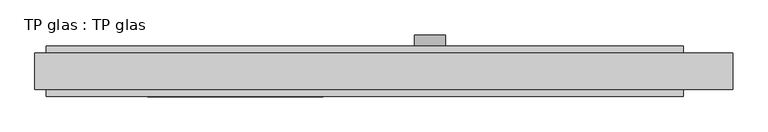
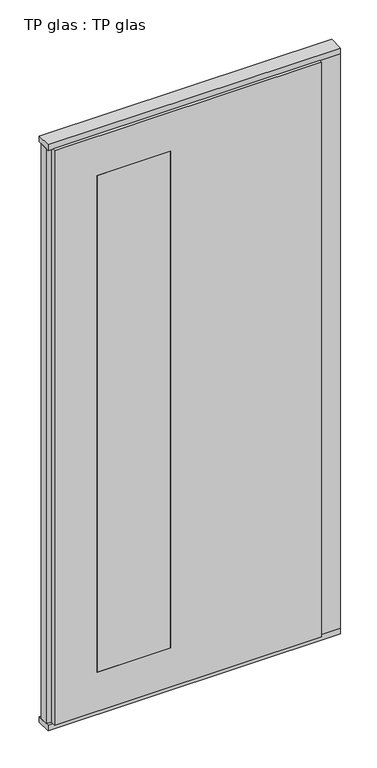
"""IFC4 building model written with IfcOpenShell, lengths in millimetres: plate geometry, TP glas : TP glas."""

import ifcopenshell
import ifcopenshell.guid

model = None  # the IFC model being written
_history = None  # IfcOwnerHistory: only IFC2X3 demands one
_inside = {}  # id of a spatial element -> (the spatial element, [elements in it])
_under = {}  # id of a project, library or spatial element -> (it, [spatial elements below it])
_declared = {}  # id of a project -> (the project, [libraries it declares])
_typed = {}  # id of a type object -> (the type object, [elements of that type])
_made_of = {}  # id of a material, layer set ... -> (it, [elements and type objects made of it])


def new_model(schema):
    """Start an empty IFC model of exactly this schema.

    Asked for "IFC4X3", IfcOpenShell would pick the latest addendum, in which some entities
    have other attributes; the version numbers below select the first issue.
    IFC2X3 requires an IfcOwnerHistory on every rooted entity: one is made here for all.
    """
    global model, _history
    if schema == "IFC4X3":
        model = ifcopenshell.file(schema_version=(4, 3, 0, 0))
    else:
        model = ifcopenshell.file(schema=schema)
    _inside.clear()
    _under.clear()
    _declared.clear()
    _typed.clear()
    _made_of.clear()
    _history = None
    if model.schema == "IFC2X3":
        org = make("IfcOrganization", Name="unknown")
        user = make(
            "IfcPersonAndOrganization",
            ThePerson=make("IfcPerson", FamilyName="unknown"),
            TheOrganization=org,
        )
        app = make(
            "IfcApplication",
            ApplicationDeveloper=org,
            Version="unknown",
            ApplicationFullName="unknown",
            ApplicationIdentifier="unknown",
        )
        _history = make(
            "IfcOwnerHistory",
            OwningUser=user,
            OwningApplication=app,
            ChangeAction="ADDED",
            CreationDate=0,
        )
    return model


def make(cls, **values):
    """One entity of the class cls with the attributes given. An attribute that is None is left unset."""
    return model.create_entity(
        cls, **{name: value for name, value in values.items() if value is not None}
    )


def rooted(cls, **values):
    """An entity with a GlobalId (a new one), such as an element, a storey or a relation."""
    return make(cls, GlobalId=ifcopenshell.guid.new(), OwnerHistory=_history, **values)


def si_unit(unit_type, name, prefix=None):
    """IfcSIUnit, for example si_unit("LENGTHUNIT", "METRE", prefix="MILLI")."""
    return make("IfcSIUnit", UnitType=unit_type, Prefix=prefix, Name=name)


def assignment(units):
    """IfcUnitAssignment: the units of a project."""
    return None if units is None else make("IfcUnitAssignment", Units=units)


def point(xyz):
    """IfcCartesianPoint."""
    return None if xyz is None else make("IfcCartesianPoint", Coordinates=xyz)


def direction(xyz):
    """IfcDirection."""
    return None if xyz is None else make("IfcDirection", DirectionRatios=xyz)


def frame(location, z_axis=None, x_axis=None):
    """IfcAxis2Placement3D, a coordinate frame: its origin and axes. An axis left out is left unset."""
    return make(
        "IfcAxis2Placement3D",
        Location=point(location),
        Axis=direction(z_axis),
        RefDirection=direction(x_axis),
    )


def frame_2d(location, x_axis=None):
    """IfcAxis2Placement2D, a coordinate frame in the plane: its origin and x axis."""
    return make(
        "IfcAxis2Placement2D", Location=point(location), RefDirection=direction(x_axis)
    )


def origin():
    """The frame at (0, 0, 0) with its axes left unset."""
    return frame((0.0, 0.0, 0.0))


def origin_with_axes():
    """The frame at (0, 0, 0) with the z axis (0, 0, 1) and the x axis (1, 0, 0) written out."""
    return frame((0.0, 0.0, 0.0), z_axis=(0.0, 0.0, 1.0), x_axis=(1.0, 0.0, 0.0))


def place(relative_to, where):
    """IfcLocalPlacement: puts the frame where relative to a parent placement (None: the world)."""
    return make(
        "IfcLocalPlacement", PlacementRelTo=relative_to, RelativePlacement=where
    )


def context(
    kind, dimensions, precision=None, world=None, true_north=None, identifier=None
):
    """IfcGeometricRepresentationContext, for example the 3D "Model" context."""
    return make(
        "IfcGeometricRepresentationContext",
        ContextIdentifier=identifier,
        ContextType=kind,
        CoordinateSpaceDimension=dimensions,
        Precision=precision,
        WorldCoordinateSystem=world,
        TrueNorth=true_north,
    )


def project(units=None, contexts=None):
    """IfcProject with its units and contexts."""
    return rooted(
        "IfcProject",
        Name="project",
        RepresentationContexts=contexts,
        UnitsInContext=assignment(units),
    )


def spatial(cls, under=None, at=None, **own):
    """A site, building, storey or space (cls), placed at a placement, below another one or the project."""
    s = rooted(cls, ObjectPlacement=at, **own)
    if under is not None:
        _under.setdefault(under.id(), (under, []))[1].append(s)
    return s


def polyline(points):
    """IfcPolyline through the points."""
    return make("IfcPolyline", Points=[point(p) for p in points])


def circle_curve(where, radius):
    """IfcCircle in the frame where."""
    return make("IfcCircle", Position=where, Radius=radius)


def trimmed(basis, trim1, trim2, sense, master):
    """IfcTrimmedCurve: the piece of a basis curve between two trims."""
    return make(
        "IfcTrimmedCurve",
        BasisCurve=basis,
        Trim1=trim1,
        Trim2=trim2,
        SenseAgreement=sense,
        MasterRepresentation=master,
    )


def segment(curve, same_sense, transition):
    """IfcCompositeCurveSegment."""
    return make(
        "IfcCompositeCurveSegment",
        Transition=transition,
        SameSense=same_sense,
        ParentCurve=curve,
    )


def composite_curve(segments, self_intersect=None):
    """IfcCompositeCurve: segments joined end to end."""
    return make("IfcCompositeCurve", Segments=segments, SelfIntersect=self_intersect)


def outline(outer, holes=None, kind="AREA"):
    """IfcArbitraryClosedProfileDef: a profile drawn as a closed curve; with holes, ...WithVoids."""
    if holes is None:
        return make("IfcArbitraryClosedProfileDef", ProfileType=kind, OuterCurve=outer)
    return make(
        "IfcArbitraryProfileDefWithVoids",
        ProfileType=kind,
        OuterCurve=outer,
        InnerCurves=holes,
    )


def extrude(swept, where, along, depth):
    """IfcExtrudedAreaSolid: the profile swept, set in the frame where, extruded along a direction by depth."""
    return make(
        "IfcExtrudedAreaSolid",
        SweptArea=swept,
        Position=where,
        ExtrudedDirection=direction(along),
        Depth=depth,
    )


def faces_of(points, faces, orient=None, outer=None):
    """IfcFace entities. A face is a list of loops; a loop is a list of indices into points, from 0.

    orient and outer hold one flag for each loop. By default every Orientation is true, the
    first loop of a face is its IfcFaceOuterBound and the others are IfcFaceBound.
    """
    made = []
    for i, loops in enumerate(faces):
        bounds = []
        for j, loop in enumerate(loops):
            is_outer = j == 0 if outer is None else outer[i][j]
            bounds.append(
                make(
                    "IfcFaceOuterBound" if is_outer else "IfcFaceBound",
                    Bound=make("IfcPolyLoop", Polygon=[points[k] for k in loop]),
                    Orientation=True if orient is None else orient[i][j],
                )
            )
        made.append(make("IfcFace", Bounds=bounds))
    return made


def faceted_brep(points, faces, orient=None, outer=None, voids=None):
    """IfcFacetedBrep: a solid bounded by flat faces; with voids (closed shells), ...WithVoids."""
    shared = [point(p) for p in points]
    hull = make("IfcClosedShell", CfsFaces=faces_of(shared, faces, orient, outer))
    if voids is None:
        return make("IfcFacetedBrep", Outer=hull)
    return make(
        "IfcFacetedBrepWithVoids",
        Outer=hull,
        Voids=[
            make(cls, CfsFaces=faces_of(shared, fs, o, b)) for cls, fs, o, b in voids
        ],
    )


def shape(context_of_items, identifier, shape_type, items):
    """IfcShapeRepresentation: the items that make up one representation, for example the "Body"."""
    return make(
        "IfcShapeRepresentation",
        ContextOfItems=context_of_items,
        RepresentationIdentifier=identifier,
        RepresentationType=shape_type,
        Items=items,
    )


def source(mapping_origin, context_of_items, identifier, shape_type, items):
    """IfcRepresentationMap: a shape defined once, which mapped items show again and again."""
    return make(
        "IfcRepresentationMap",
        MappingOrigin=mapping_origin,
        MappedRepresentation=shape(context_of_items, identifier, shape_type, items),
    )


def transform(
    local_origin,
    x_axis=None,
    y_axis=None,
    z_axis=None,
    scale=None,
    scale2=None,
    scale3=None,
    uniform=True,
):
    """IfcCartesianTransformationOperator3D, or its non-uniform kind. x_axis, y_axis, z_axis: its Axis1, 2, 3."""
    if uniform:
        return make(
            "IfcCartesianTransformationOperator3D",
            Axis1=direction(x_axis),
            Axis2=direction(y_axis),
            LocalOrigin=point(local_origin),
            Scale=scale,
            Axis3=direction(z_axis),
        )
    return make(
        "IfcCartesianTransformationOperator3DnonUniform",
        Axis1=direction(x_axis),
        Axis2=direction(y_axis),
        LocalOrigin=point(local_origin),
        Scale=scale,
        Axis3=direction(z_axis),
        Scale2=scale2,
        Scale3=scale3,
    )


def mapped(mapping_source, mapping_target):
    """IfcMappedItem: shows the shape of a source again, moved by a transform."""
    return make(
        "IfcMappedItem", MappingSource=mapping_source, MappingTarget=mapping_target
    )


def made_of(thing, what):
    """Note that an element or type object is made of a material, layer set ...; save() writes the relation."""
    if what is not None:
        _made_of.setdefault(what.id(), (what, []))[1].append(thing)
    return thing


def element(
    cls,
    number,
    at=None,
    inside=None,
    cuts=None,
    type_object=None,
    material=None,
    context=None,
    identifier="Body",
    shape_type=None,
    held_by="IfcProductDefinitionShape",
    body=None,
    shapes=None,
    **own,
):
    """One element of the class cls, such as IfcWall. Its Tag is "e" and its number.

    at: its placement. inside: the storey or other place that contains it. cuts: it is an
    opening in that element (IfcRelVoidsElement). A single representation is given by context,
    identifier, shape_type and body (its items); several are given by shapes. held_by: the class
    of the entity that holds the representations. save() writes the other relations.
    """
    e = rooted(cls, Tag="e%d" % number, ObjectPlacement=at, **own)
    if body is not None:
        shapes = [shape(context, identifier, shape_type, body)]
    if shapes is not None:
        e.Representation = make(held_by, Representations=shapes)
    if inside is not None:
        _inside.setdefault(inside.id(), (inside, []))[1].append(e)
    if cuts is not None:
        rooted(
            "IfcRelVoidsElement", RelatingBuildingElement=cuts, RelatedOpeningElement=e
        )
    if type_object is not None:
        _typed.setdefault(type_object.id(), (type_object, []))[1].append(e)
    return made_of(e, material)


def aggregate(whole, parts):
    """IfcRelAggregates: a whole, such as a stair, and the parts it consists of."""
    return rooted("IfcRelAggregates", RelatingObject=whole, RelatedObjects=parts)


def save(model, path):
    """Write the relations noted so far, then the file.

    IfcRelAggregates (storeys below a building ...), IfcRelContainedInSpatialStructure (elements
    in a storey), IfcRelDefinesByType, IfcRelAssociatesMaterial and IfcRelDeclares: one each for
    every whole, place, type object, material and project.
    """
    for whole, parts in _under.values():
        aggregate(whole, parts)
    for where, things in _inside.values():
        rooted(
            "IfcRelContainedInSpatialStructure",
            RelatedElements=things,
            RelatingStructure=where,
        )
    for kind, things in _typed.values():
        rooted("IfcRelDefinesByType", RelatedObjects=things, RelatingType=kind)
    for what, things in _made_of.values():
        rooted("IfcRelAssociatesMaterial", RelatedObjects=things, RelatingMaterial=what)
    for by, libraries in _declared.values():
        rooted("IfcRelDeclares", RelatingContext=by, RelatedDefinitions=libraries)
    model.write(path)


def tp_glas_tp_glas_5aab74e9(model_context):
    return source(origin(), model_context, "Body", "SolidModel", [
        faceted_brep([(-600.0, 22.9993165, 25.0), (-600.0, 22.9993165, 2602.0), (-600.0, 45.0, 2602.0), (-600.0, 45.0, 25.0), (-620.0, 17.6401049, 25.0), (-620.0, 17.6401049, 2602.0), (-620.0, -17.6401049, 25.0), (-620.0, -17.6401049, 2602.0), (-600.0, -22.9993165, 25.0), (-600.0, -22.9993165, 2602.0), (-600.0, -45.0, 25.0), (-600.0, -45.0, 2602.0), (532.0507813, -45.0, 25.0), (532.0507813, 45.0, 25.0), (532.0507813, 30.5, 25.0), (620.0, 30.5, 25.0), (620.0, -30.5, 25.0), (532.0507813, -30.5, 25.0), (532.0507813, -30.5, 2602.0), (532.0507813, -45.0, 2602.0), (620.0, -30.5, 2602.0), (620.0, 30.5, 2602.0), (532.0507813, 30.5, 2602.0), (532.0507813, 45.0, 2602.0), (-420.0, 45.0, 2427.0), (-420.0, 45.0, 200.0), (-107.9492187, 45.0, 200.0), (-107.9492187, 45.0, 2427.0), (-107.9492187, -45.0, 2427.0), (-107.9492187, -45.0, 200.0), (-420.0, -45.0, 200.0), (-420.0, -45.0, 2427.0)], [[[0, 1, 2, 3]], [[4, 5, 1, 0]], [[6, 7, 5, 4]], [[8, 9, 7, 6]], [[10, 11, 9, 8]], [[12, 10, 8, 6, 4, 0, 3, 13, 14, 15, 16, 17]], [[17, 18, 19, 12]], [[16, 20, 18, 17]], [[15, 21, 20, 16]], [[14, 22, 21, 15]], [[13, 23, 22, 14]], [[3, 2, 23, 13], [24, 25, 26, 27]], [[11, 10, 12, 19], [28, 29, 30, 31]], [[23, 2, 1, 5, 7, 9, 11, 19, 18, 20, 21, 22]], [[28, 31, 24, 27]], [[31, 30, 25, 24]], [[30, 29, 26, 25]], [[27, 26, 29, 28]]]),
        extrude(outline(polyline([(-620.0, 32.0), (620.0, 32.0), (620.0, -32.0), (-620.0, -32.0), (-620.0, 32.0)])), origin_with_axes(), (0.0, 0.0, 1.0), 25.0),
        extrude(outline(polyline([(-620.0, 32.0), (620.0, 32.0), (620.0, -32.0), (-620.0, -32.0), (-620.0, 32.0)])), frame((0.0, 0.0, 2602.0), z_axis=(0.0, 0.0, 1.0), x_axis=(1.0, 0.0, 0.0)), (0.0, 0.0, 1.0), 25.0),
        extrude(outline(composite_curve([segment(trimmed(circle_curve(frame_2d((1040.0, 82.0507813)), 27.5), [point((1040.0, 109.5507813))], [point((1040.0, 54.5507813))], False, "CARTESIAN"), True, "CONTINUOUS"), segment(trimmed(circle_curve(frame_2d((1040.0, 82.0507813)), 27.5), [point((1040.0, 54.5507813))], [point((1040.0, 109.5507813))], False, "CARTESIAN"), True, "CONTINUOUS")], self_intersect=False), holes=[composite_curve([segment(trimmed(circle_curve(frame_2d((1040.0, 82.0507813)), 10.0), [point((1040.0, 92.0507813))], [point((1040.0, 72.0507813))], True, "CARTESIAN"), True, "CONTINUOUS"), segment(trimmed(circle_curve(frame_2d((1040.0, 82.0507813)), 10.0), [point((1040.0, 72.0507813))], [point((1040.0, 92.0507813))], True, "CARTESIAN"), True, "CONTINUOUS")], self_intersect=False)]), frame((0.0, 45.0, 0.0), z_axis=(0.0, 1.0, 0.0), x_axis=(0.0, 0.0, 1.0)), (0.0, 0.0, 1.0), 20.0),
        extrude(outline(polyline([(-107.9492187, 45.0), (-107.9492187, -45.0), (-420.0, -45.0), (-420.0, 45.0), (-107.9492187, 45.0)])), frame((0.0, 0.0, 200.0), z_axis=(0.0, 0.0, 1.0), x_axis=(1.0, 0.0, 0.0)), (0.0, 0.0, 1.0), 2227.0),
    ])


if __name__ == "__main__":
    model = new_model("IFC4")
    model_context = context("Model", 3, world=origin())
    ifc_project = project(units=[si_unit("LENGTHUNIT", "METRE", prefix="MILLI")], contexts=[model_context])
    site = spatial("IfcSite", under=ifc_project)
    building = spatial("IfcBuilding", under=site)
    placement = place(None, origin())
    tp_glas_tp_glas_shape = tp_glas_tp_glas_5aab74e9(model_context)
    element("IfcPlate", 1, ObjectType="TP glas : TP glas", at=placement, inside=building, context=model_context, shape_type="MappedRepresentation", body=[
        mapped(tp_glas_tp_glas_shape, transform((0.0, 0.0, 0.0), x_axis=(1.0, 0.0, 0.0), y_axis=(0.0, 1.0, 0.0), z_axis=(0.0, 0.0, 1.0))),
    ])
    save(model, "model.ifc")
